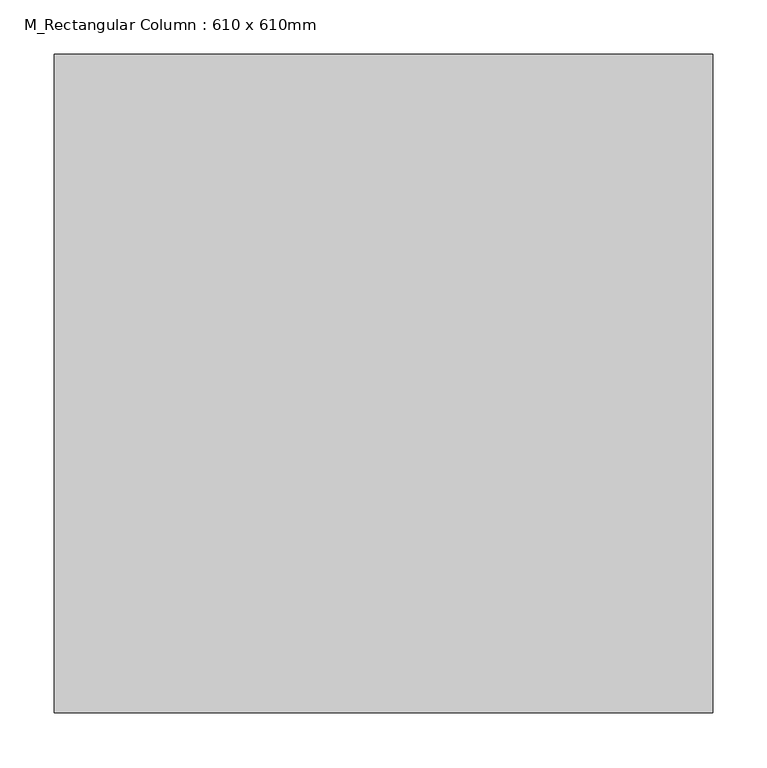
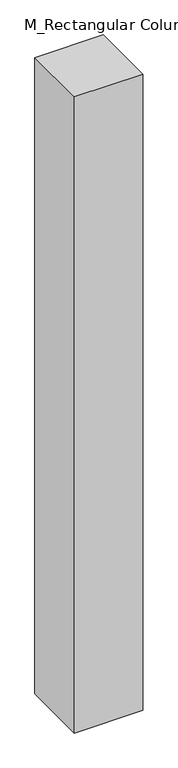
"""IFC4 building model written with IfcOpenShell, lengths in millimetres: column geometry, M_Rectangular Column : 610 x 610mm."""

from ifc_helpers import new_model, si_unit, origin, origin_with_axes, place, context, project, spatial, polyline, outline, extrude, source, transform, mapped, element, save


def m_rectangular_column_610_x_610mm_4e1fe623(model_context):
    return source(origin(), model_context, "Body", "SweptSolid", [
        extrude(outline(polyline([(305.0, 305.0), (305.0, -305.0), (-305.0, -305.0), (-305.0, 305.0), (305.0, 305.0)])), origin_with_axes(), (0.0, 0.0, 1.0), 6000.0),
    ])


if __name__ == "__main__":
    model = new_model("IFC4")
    model_context = context("Model", 3, world=origin())
    ifc_project = project(units=[si_unit("LENGTHUNIT", "METRE", prefix="MILLI")], contexts=[model_context])
    site = spatial("IfcSite", under=ifc_project)
    building = spatial("IfcBuilding", under=site)
    placement = place(None, origin())
    m_rectangular_column_610_x_610mm_shape = m_rectangular_column_610_x_610mm_4e1fe623(model_context)
    element("IfcColumn", 1, ObjectType="M_Rectangular Column : 610 x 610mm", at=placement, inside=building, context=model_context, shape_type="MappedRepresentation", body=[
        mapped(m_rectangular_column_610_x_610mm_shape, transform((0.0, 0.0, 0.0), x_axis=(1.0, 0.0, 0.0), y_axis=(0.0, 1.0, 0.0), z_axis=(0.0, 0.0, 1.0))),
    ])
    save(model, "model.ifc")
